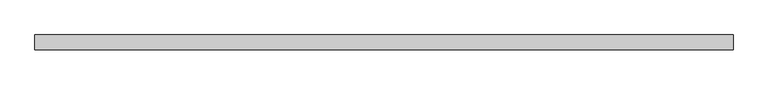
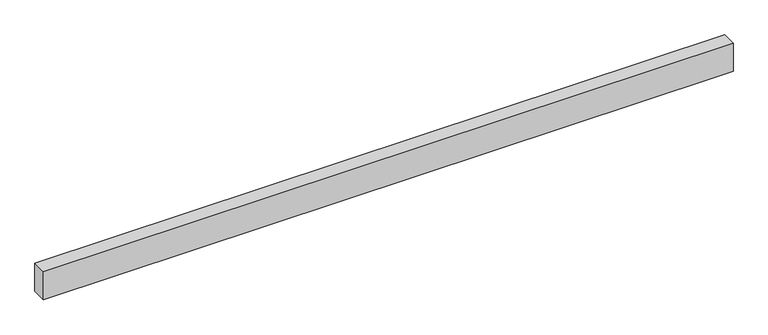
"""IFC4 building model written with IfcOpenShell, lengths in millimetres: plate geometry."""

from ifc_helpers import new_model, si_unit, frame, origin, place, context, project, spatial, polyline, outline, extrude, source, transform, mapped, element, save


def plate_ffb2f574(model_context):
    return source(origin(), model_context, "Body", "SweptSolid", [
        extrude(outline(polyline([(0.0, -2342.5), (0.0, 692.5), (0.0, 2242.5), (0.0, 2342.5), (200.0, 2342.5), (200.0, -2342.5), (0.0, -2342.5)])), frame((0.0, -50.0, 0.0), z_axis=(0.0, 1.0, 0.0), x_axis=(0.0, 0.0, 1.0)), (0.0, 0.0, 1.0), 100.0),
    ])


if __name__ == "__main__":
    model = new_model("IFC4")
    model_context = context("Model", 3, world=origin())
    ifc_project = project(units=[si_unit("LENGTHUNIT", "METRE", prefix="MILLI")], contexts=[model_context])
    site = spatial("IfcSite", under=ifc_project)
    building = spatial("IfcBuilding", under=site)
    placement = place(None, origin())
    plate_shape = plate_ffb2f574(model_context)
    element("IfcPlate", 1, at=placement, inside=building, context=model_context, shape_type="MappedRepresentation", body=[
        mapped(plate_shape, transform((0.0, 0.0, 0.0), x_axis=(1.0, 0.0, 0.0), y_axis=(0.0, 1.0, 0.0), z_axis=(0.0, 0.0, 1.0))),
    ])
    save(model, "model.ifc")
